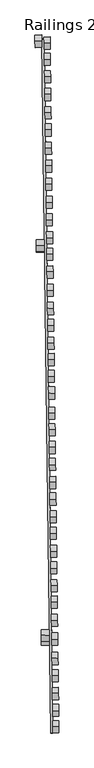
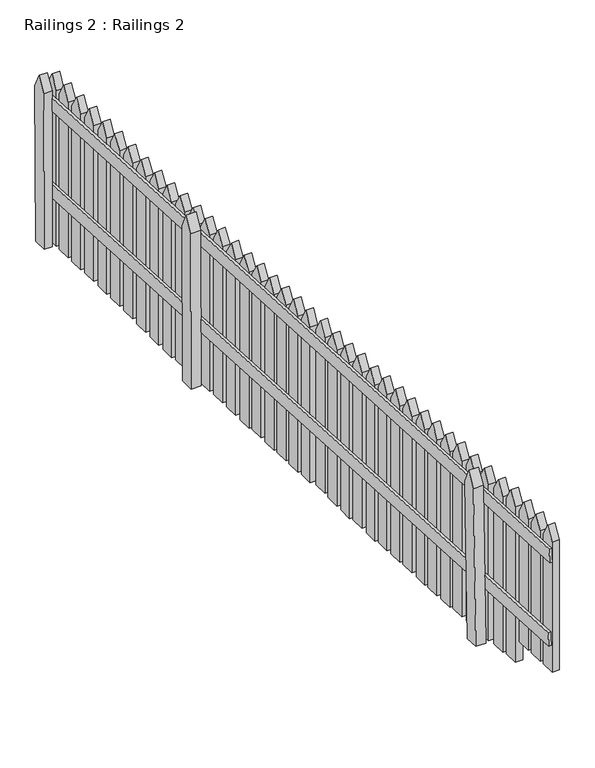
"""IFC4 building model written with IfcOpenShell, lengths in millimetres: railing geometry, Railings 2 : Railings 2."""

from ifc_helpers import new_model, si_unit, frame, origin, place, context, project, spatial, polyline, outline, extrude, source, transform, mapped, element, save


def railings_2_railings_2_9bccd51a(model_context):
    return source(origin(), model_context, "Body", "SweptSolid", [
        extrude(outline(polyline([(-78.9140534, 0.0), (-0.207065, 0.0), (-48.4910598, -63.5388444), (-730.5641158, -425.8123189), (-762.5344182, -366.1167429), (-78.9140534, 0.0)])), frame((-40966.4421428, 56488.4095143, 108646.3232378), z_axis=(0.9999181780679466, 0.012792074471260687, 0.0), x_axis=(-0.006073460667113702, 0.4747442440607652, 0.8801028438805875)), (0.0, 0.0, 1.0), 39.578044),
        extrude(outline(polyline([(-78.9140533, 0.0), (-0.2070649, -1e-07), (-48.4910597, -63.5388444), (-730.5641157, -425.812319), (-762.5344182, -366.116743), (-78.9140533, 0.0)])), frame((-40929.8799748, 53034.7440989, 108755.3017942), z_axis=(0.9999181780679467, 0.01279207447126069, 0.0), x_axis=(-0.006313474437184496, 0.493505402168435, 0.8697198158436442)), (0.0, 0.0, 1.0), 47.1984129),
        extrude(outline(polyline([(-78.9140534, 0.0), (-0.2070649, 0.0), (-48.4910598, -63.5388444), (-730.5641158, -425.8123189), (-762.5344182, -366.116743), (-78.9140534, 0.0)])), frame((-40958.8388721, 55298.3744343, 108667.6245797), z_axis=(0.9999181780679466, 0.012792074471260687, 0.0), x_axis=(-0.006073460667113702, 0.4747442440607652, 0.8801028438805875)), (0.0, 0.0, 1.0), 47.1984129),
        extrude(outline(polyline([(-1e-07, -4027.3737192), (0.0, 0.0), (13.0286057, 0.0), (13.0286058, -4027.3737192), (-1e-07, -4027.3737192)])), frame((-40926.9869878, 56498.2685405, 108040.7359996), z_axis=(-0.0004998136004947317, 0.0390689333386027, 0.9992363927690728), x_axis=(0.9999181780679466, 0.012792074471264462, 0.0)), (0.0, 0.0, 1.0), 66.7970811),
        extrude(outline(polyline([(0.0, -4027.3737192), (0.0, 0.0), (13.0286057, 0.0), (13.0286058, -4027.3737192), (0.0, -4027.3737192)])), frame((-40926.8950631, 56491.083062, 108473.5740419), z_axis=(-0.0004610597893345834, 0.03603966390028819, 0.9993502539399413), x_axis=(0.9999181780679466, 0.012792074471264462, 0.0)), (0.0, 0.0, 1.0), 66.7970811),
        extrude(outline(polyline([(-72.6633386, 0.0), (0.0, 0.0), (671.1597866, -392.3145748), (635.3278671, -453.6147278), (-35.8319195, -61.300153), (-72.6633386, 0.0)])), frame((-40908.9266818, 56105.0389234, 108586.5715123), z_axis=(0.9999181780679467, 0.012792074471260687, 0.0), x_axis=(-0.006455432486234943, 0.504601838019204, -0.8633280445225074)), (0.0, 0.0, 1.0), 35.050046),
        extrude(outline(polyline([(-18.2088211, 93.1591245), (53.2768642, 91.1444312), (724.4366508, -301.1701436), (688.6047313, -362.4702965), (17.4449447, 29.8442783), (-18.2088211, 93.1591245)])), frame((-40908.9266818, 56105.0389234, 108586.5715123), z_axis=(0.9999181780679467, 0.012792074471260687, 0.0), x_axis=(-0.006455432486234943, 0.504601838019204, -0.8633280445225074)), (0.0, 0.0, 1.0), 35.050046),
        extrude(outline(polyline([(89.1641363, 266.9415072), (160.6498215, 264.9268139), (831.8096082, -127.3877609), (795.9776887, -188.6879139), (124.8179021, 203.626661), (89.1641363, 266.9415072)])), frame((-40908.9266818, 56105.0389234, 108586.5715123), z_axis=(0.9999181780679467, 0.012792074471260687, 0.0), x_axis=(-0.006455432486234943, 0.504601838019204, -0.8633280445225074)), (0.0, 0.0, 1.0), 35.050046),
        extrude(outline(polyline([(37.2328345, 178.0990229), (109.896173, 178.0990228), (781.0559596, -214.215552), (745.2240401, -275.5157049), (74.0642535, 116.7988699), (37.2328345, 178.0990229)])), frame((-40908.9266818, 56105.0389234, 108586.5715123), z_axis=(0.9999181780679467, 0.012792074471260687, 0.0), x_axis=(-0.006455432486234943, 0.504601838019204, -0.8633280445225074)), (0.0, 0.0, 1.0), 35.050046),
        extrude(outline(polyline([(135.731005, 346.6066833), (208.3943436, 346.6066833), (879.5541302, -45.7078915), (843.7222107, -107.0080446), (172.5624241, 285.3065303), (135.731005, 346.6066833)])), frame((-40908.9266818, 56105.0389234, 108586.5715123), z_axis=(0.9999181780679467, 0.012792074471260687, 0.0), x_axis=(-0.006455432486234943, 0.504601838019204, -0.8633280445225074)), (0.0, 0.0, 1.0), 35.050046),
        extrude(outline(polyline([(-122.2657546, -84.8582976), (-50.7800693, -86.8729909), (620.3797173, -479.1875657), (584.5477978, -540.4877186), (-86.6119888, -148.1731438), (-122.2657546, -84.8582976)])), frame((-40908.9266818, 56105.0389234, 108586.5715123), z_axis=(0.9999181780679467, 0.012792074471260687, 0.0), x_axis=(-0.006455432486234943, 0.504601838019204, -0.8633280445225074)), (0.0, 0.0, 1.0), 35.050046),
        extrude(outline(polyline([(-176.720272, -178.0174221), (-104.0569335, -178.0174221), (567.1028532, -570.3319969), (531.2709336, -631.6321499), (-139.888853, -239.3175751), (-176.720272, -178.0174221)])), frame((-40908.9266818, 56105.0389234, 108586.5715123), z_axis=(0.9999181780679467, 0.012792074471260687, 0.0), x_axis=(-0.006455432486234943, 0.504601838019204, -0.8633280445225074)), (0.0, 0.0, 1.0), 35.050046),
        extrude(outline(polyline([(-277.9831646, -361.1628763), (-205.3198261, -361.1628763), (465.8399606, -753.4774511), (430.008041, -814.7776041), (-241.1517456, -422.4630293), (-277.9831646, -361.1628763)])), frame((-40908.9266818, 56105.0389234, 108586.5715123), z_axis=(0.9999181780679467, 0.012792074471260687, 0.0), x_axis=(-0.006455432486234943, 0.504601838019204, -0.8633280445225074)), (0.0, 0.0, 1.0), 35.050046),
        extrude(outline(polyline([(-223.5286472, -268.0037518), (-152.0429619, -270.0184451), (519.1168247, -662.3330199), (483.2849053, -723.6331728), (-187.8748814, -331.318598), (-223.5286472, -268.0037518)])), frame((-40908.9266818, 56105.0389234, 108586.5715123), z_axis=(0.9999181780679467, 0.012792074471260687, 0.0), x_axis=(-0.006455432486234943, 0.504601838019204, -0.8633280445225074)), (0.0, 0.0, 1.0), 35.050046),
        extrude(outline(polyline([(-329.5964646, -449.4613328), (-258.1107794, -451.4760261), (413.0490073, -843.7906009), (377.2170877, -905.0907539), (-293.9426989, -512.7761791), (-329.5964646, -449.4613328)])), frame((-40908.9266818, 56105.0389234, 108586.5715123), z_axis=(0.9999181780679467, 0.012792074471260687, 0.0), x_axis=(-0.006455432486234943, 0.504601838019204, -0.8633280445225074)), (0.0, 0.0, 1.0), 35.050046),
        extrude(outline(polyline([(-658.153486, -971.9146778), (-586.6678007, -973.9293711), (84.491986, -1366.2439459), (48.6600664, -1427.5440989), (-622.4997202, -1035.2295241), (-658.153486, -971.9146778)])), frame((-40908.9266818, 56105.0389234, 108586.5715123), z_axis=(0.9999181780679467, 0.012792074471260687, 0.0), x_axis=(-0.006455432486234943, 0.504601838019204, -0.8633280445225074)), (0.0, 0.0, 1.0), 35.050046),
        extrude(outline(polyline([(-717.4564604, -1053.5524107), (-644.7931219, -1053.5524108), (26.3666647, -1445.8669856), (-9.4652547, -1507.1671386), (-680.6250414, -1114.8525637), (-717.4564604, -1053.5524107)])), frame((-40908.9266818, 56105.0389234, 108586.5715123), z_axis=(0.9999181780679467, 0.012792074471260687, 0.0), x_axis=(-0.006455432486234943, 0.504601838019204, -0.8633280445225074)), (0.0, 0.0, 1.0), 35.050046),
        extrude(outline(polyline([(-822.3062021, -1223.0181531), (-749.6428636, -1223.0181532), (-78.483077, -1615.332728), (-114.3149965, -1676.632881), (-785.4747831, -1284.3183062), (-822.3062021, -1223.0181531)])), frame((-40908.9266818, 56105.0389234, 108586.5715123), z_axis=(0.9999181780679467, 0.012792074471260687, 0.0), x_axis=(-0.006455432486234943, 0.504601838019204, -0.8633280445225074)), (0.0, 0.0, 1.0), 35.050046),
        extrude(outline(polyline([(-768.5814758, -1141.0155247), (-697.0957905, -1143.030218), (-25.9360039, -1535.3447928), (-61.7679233, -1596.6449458), (-732.92771, -1204.330371), (-768.5814758, -1141.0155247)])), frame((-40908.9266818, 56105.0389234, 108586.5715123), z_axis=(0.9999181780679467, 0.012792074471260687, 0.0), x_axis=(-0.006455432486234943, 0.504601838019204, -0.8633280445225074)), (0.0, 0.0, 1.0), 35.050046),
        extrude(outline(polyline([(-872.2929988, -1303.5800415), (-800.8073135, -1305.5947348), (-129.6475269, -1697.9093096), (-165.4794464, -1759.2094626), (-836.6392331, -1366.8948878), (-872.2929988, -1303.5800415)])), frame((-40908.9266818, 56105.0389234, 108586.5715123), z_axis=(0.9999181780679467, 0.012792074471260687, 0.0), x_axis=(-0.006455432486234943, 0.504601838019204, -0.8633280445225074)), (0.0, 0.0, 1.0), 35.050046),
        extrude(outline(polyline([(-606.0278544, -882.7397401), (-533.3645158, -882.7397401), (137.7952709, -1275.0543149), (101.9633513, -1336.3544679), (-569.1964353, -944.0398931), (-606.0278544, -882.7397401)])), frame((-40908.9266818, 56105.0389234, 108586.5715123), z_axis=(0.9999181780679467, 0.012792074471260687, 0.0), x_axis=(-0.006455432486234943, 0.504601838019204, -0.8633280445225074)), (0.0, 0.0, 1.0), 35.050046),
        extrude(outline(polyline([(-551.5733368, -789.5806155), (-480.0876516, -791.5953087), (191.0721351, -1183.9098836), (155.2402155, -1245.2100366), (-515.9195711, -852.8954618), (-551.5733368, -789.5806155)])), frame((-40908.9266818, 56105.0389234, 108586.5715123), z_axis=(0.9999181780679467, 0.012792074471260687, 0.0), x_axis=(-0.006455432486234943, 0.504601838019204, -0.8633280445225074)), (0.0, 0.0, 1.0), 35.050046),
        extrude(outline(polyline([(-442.4069549, -622.6380887), (-370.9212696, -624.652782), (300.238517, -1016.9673568), (264.4065975, -1078.2675098), (-406.7531891, -685.952935), (-442.4069549, -622.6380887)])), frame((-40908.9266818, 56105.0389234, 108586.5715123), z_axis=(0.9999181780679467, 0.012792074471260687, 0.0), x_axis=(-0.006455432486234943, 0.504601838019204, -0.8633280445225074)), (0.0, 0.0, 1.0), 35.050046),
        extrude(outline(polyline([(-496.1316813, -704.6407172), (-423.4683427, -704.6407172), (247.6914439, -1096.955292), (211.8595244, -1158.255445), (-459.3002623, -765.9408702), (-496.1316813, -704.6407172)])), frame((-40908.9266818, 56105.0389234, 108586.5715123), z_axis=(0.9999181780679467, 0.012792074471260687, 0.0), x_axis=(-0.006455432486234943, 0.504601838019204, -0.8633280445225074)), (0.0, 0.0, 1.0), 35.050046),
        extrude(outline(polyline([(-390.7936549, -534.3396322), (-318.1303163, -534.3396322), (353.0294703, -926.654207), (317.1975508, -987.95436), (-353.9622358, -595.6397852), (-390.7936549, -534.3396322)])), frame((-40908.9266818, 56105.0389234, 108586.5715123), z_axis=(0.9999181780679467, 0.012792074471260687, 0.0), x_axis=(-0.006455432486234943, 0.504601838019204, -0.8633280445225074)), (0.0, 0.0, 1.0), 35.050046),
        extrude(outline(polyline([(-1155.3317942, -1733.3002087), (-1082.6684556, -1733.3002088), (-411.508669, -2125.6147836), (-447.3405885, -2186.9149365), (-1118.5003751, -1794.6003617), (-1155.3317942, -1733.3002087)])), frame((-40908.9266818, 56105.0389234, 108586.5715123), z_axis=(0.9999181780679467, 0.012792074471260687, 0.0), x_axis=(-0.006455432486234943, 0.504601838019204, -0.8633280445225074)), (0.0, 0.0, 1.0), 35.050046),
        extrude(outline(polyline([(-1096.0288197, -1651.6624758), (-1024.5431344, -1653.677169), (-353.3833478, -2045.9917439), (-389.2152673, -2107.2918969), (-1060.375054, -1714.9773221), (-1096.0288197, -1651.6624758)])), frame((-40908.9266818, 56105.0389234, 108586.5715123), z_axis=(0.9999181780679467, 0.012792074471260687, 0.0), x_axis=(-0.006455432486234943, 0.504601838019204, -0.8633280445225074)), (0.0, 0.0, 1.0), 35.050046),
        extrude(outline(polyline([(-999.8123584, -1477.1503021), (-928.3266731, -1479.1649953), (-257.1668865, -1871.4795701), (-292.998806, -1932.7797231), (-964.1585926, -1540.4651483), (-999.8123584, -1477.1503021)])), frame((-40908.9266818, 56105.0389234, 108586.5715123), z_axis=(0.9999181780679467, 0.012792074471260687, 0.0), x_axis=(-0.006455432486234943, 0.504601838019204, -0.8633280445225074)), (0.0, 0.0, 1.0), 35.050046),
        extrude(outline(polyline([(-1044.9038044, -1564.1993618), (-972.2404658, -1564.1993618), (-301.0806792, -1956.5139366), (-336.9125987, -2017.8140897), (-1008.0723854, -1625.4995148), (-1044.9038044, -1564.1993618)])), frame((-40908.9266818, 56105.0389234, 108586.5715123), z_axis=(0.9999181780679467, 0.012792074471260687, 0.0), x_axis=(-0.006455432486234943, 0.504601838019204, -0.8633280445225074)), (0.0, 0.0, 1.0), 35.050046),
        extrude(outline(polyline([(-926.7827785, -1386.8914997), (-854.11944, -1386.8914998), (-182.9596533, -1779.2060746), (-218.7915728, -1840.5062275), (-889.9513594, -1448.1916527), (-926.7827785, -1386.8914997)])), frame((-40908.9266818, 56105.0389234, 108586.5715123), z_axis=(0.9999181780679467, 0.012792074471260687, 0.0), x_axis=(-0.006455432486234943, 0.504601838019204, -0.8633280445225074)), (0.0, 0.0, 1.0), 35.050046),
        extrude(outline(polyline([(-1207.4574258, -1822.4751465), (-1135.9717405, -1824.4898398), (-464.8119539, -2216.8044146), (-500.6438734, -2278.1045675), (-1171.80366, -1885.7899927), (-1207.4574258, -1822.4751465)])), frame((-40908.9266818, 56105.0389234, 108586.5715123), z_axis=(0.9999181780679467, 0.012792074471260687, 0.0), x_axis=(-0.006455432486234943, 0.504601838019204, -0.8633280445225074)), (0.0, 0.0, 1.0), 35.050046),
        extrude(outline(polyline([(-1265.4987924, -1901.9545593), (-1192.8354539, -1901.9545594), (-521.6756673, -2294.2691342), (-557.5075867, -2355.5692871), (-1228.6673734, -1963.2547123), (-1265.4987924, -1901.9545593)])), frame((-40908.9266818, 56105.0389234, 108586.5715123), z_axis=(0.9999181780679467, 0.012792074471260687, 0.0), x_axis=(-0.006455432486234943, 0.504601838019204, -0.8633280445225074)), (0.0, 0.0, 1.0), 35.050046),
        extrude(outline(polyline([(-1374.6651744, -2068.8970861), (-1302.0018359, -2068.8970861), (-630.8420492, -2461.211661), (-666.6739687, -2522.5118139), (-1337.8337553, -2130.1972391), (-1374.6651744, -2068.8970861)])), frame((-40908.9266818, 56105.0389234, 108586.5715123), z_axis=(0.9999181780679467, 0.012792074471260687, 0.0), x_axis=(-0.006455432486234943, 0.504601838019204, -0.8633280445225074)), (0.0, 0.0, 1.0), 35.050046),
        extrude(outline(polyline([(-1320.940448, -1986.8944577), (-1249.4547627, -1988.9091509), (-578.2949761, -2381.2237257), (-614.1268956, -2442.5238787), (-1285.2866822, -2050.2093039), (-1320.940448, -1986.8944577)])), frame((-40908.9266818, 56105.0389234, 108586.5715123), z_axis=(0.9999181780679467, 0.012792074471260687, 0.0), x_axis=(-0.006455432486234943, 0.504601838019204, -0.8633280445225074)), (0.0, 0.0, 1.0), 35.050046),
        extrude(outline(polyline([(-1645.7695661, -2493.0622279), (-1574.2838808, -2495.0769211), (-903.1240941, -2887.391496), (-938.9560136, -2948.6916489), (-1610.1158003, -2556.3770741), (-1645.7695661, -2493.0622279)])), frame((-40908.9266818, 56105.0389234, 108586.5715123), z_axis=(0.9999181780679467, 0.012792074471260687, 0.0), x_axis=(-0.006455432486234943, 0.504601838019204, -0.8633280445225074)), (0.0, 0.0, 1.0), 35.050046),
        extrude(outline(polyline([(-1710.1189718, -2583.3332412), (-1637.4556332, -2583.3332412), (-966.2958466, -2975.6478161), (-1002.1277661, -3036.9479691), (-1673.2875528, -2644.6333943), (-1710.1189718, -2583.3332412)])), frame((-40908.9266818, 56105.0389234, 108586.5715123), z_axis=(0.9999181780679467, 0.012792074471260687, 0.0), x_axis=(-0.006455432486234943, 0.504601838019204, -0.8633280445225074)), (0.0, 0.0, 1.0), 35.050046),
        extrude(outline(polyline([(-1774.9236989, -2674.3832044), (-1703.4380136, -2676.3978976), (-1032.2782269, -3068.7124724), (-1068.1101465, -3130.0126255), (-1739.2699331, -2737.6980506), (-1774.9236989, -2674.3832044)])), frame((-40908.9266818, 56105.0389234, 108586.5715123), z_axis=(0.9999181780679467, 0.012792074471260687, 0.0), x_axis=(-0.006455432486234943, 0.504601838019204, -0.8633280445225074)), (0.0, 0.0, 1.0), 35.050046),
        extrude(outline(polyline([(-1593.6439344, -2403.88729), (-1520.9805959, -2403.8872901), (-849.8208092, -2796.2018649), (-885.6527287, -2857.5020179), (-1556.8125154, -2465.1874431), (-1593.6439344, -2403.88729)])), frame((-40908.9266818, 56105.0389234, 108586.5715123), z_axis=(0.9999181780679467, 0.012792074471260687, 0.0), x_axis=(-0.006455432486234943, 0.504601838019204, -0.8633280445225074)), (0.0, 0.0, 1.0), 35.050046),
        extrude(outline(polyline([(-1535.6025678, -2324.4078773), (-1464.1168825, -2326.4225705), (-792.9570959, -2718.7371454), (-828.7890154, -2780.0372983), (-1499.948802, -2387.7227235), (-1535.6025678, -2324.4078773)])), frame((-40908.9266818, 56105.0389234, 108586.5715123), z_axis=(0.9999181780679467, 0.012792074471260687, 0.0), x_axis=(-0.006455432486234943, 0.504601838019204, -0.8633280445225074)), (0.0, 0.0, 1.0), 35.050046),
        extrude(outline(polyline([(-1426.4361858, -2157.4653505), (-1354.9505006, -2159.4800438), (-683.7907139, -2551.7946186), (-719.6226334, -2613.0947715), (-1390.78242, -2220.7801967), (-1426.4361858, -2157.4653505)])), frame((-40908.9266818, 56105.0389234, 108586.5715123), z_axis=(0.9999181780679467, 0.012792074471260687, 0.0), x_axis=(-0.006455432486234943, 0.504601838019204, -0.8633280445225074)), (0.0, 0.0, 1.0), 35.050046),
        extrude(outline(polyline([(-1480.1609122, -2239.4679789), (-1407.4975737, -2239.467979), (-736.3377871, -2631.7825538), (-772.1697066, -2693.0827067), (-1443.3294932, -2300.7681319), (-1480.1609122, -2239.4679789)])), frame((-40908.9266818, 56105.0389234, 108586.5715123), z_axis=(0.9999181780679467, 0.012792074471260687, 0.0), x_axis=(-0.006455432486234943, 0.504601838019204, -0.8633280445225074)), (0.0, 0.0, 1.0), 35.050046),
        extrude(outline(polyline([(-1886.4306703, -2845.3299401), (-1814.944985, -2847.3446334), (-1248.8370906, -3178.2529838), (-1284.6690102, -3239.5531369), (-1850.7769045, -2908.6447864), (-1886.4306703, -2845.3299401)])), frame((-40908.9266818, 56105.0389234, 108586.5715123), z_axis=(0.9999181780679467, 0.012792074471260687, 0.0), x_axis=(-0.006455432486234943, 0.504601838019204, -0.8633280445225074)), (0.0, 0.0, 1.0), 35.050046),
        extrude(outline(polyline([(-1835.3056549, -2757.8668261), (-1762.6423164, -2757.8668262), (-1091.4825298, -3150.181401), (-1127.3144493, -3211.4815539), (-1798.4742359, -2819.1669791), (-1835.3056549, -2757.8668261)])), frame((-40908.9266818, 56105.0389234, 108586.5715123), z_axis=(0.9999181780679467, 0.012792074471260687, 0.0), x_axis=(-0.006455432486234943, 0.504601838019204, -0.8633280445225074)), (0.0, 0.0, 1.0), 35.050046),
        extrude(outline(polyline([(-1936.8249842, -2931.5429924), (-1864.1616456, -2931.5429924), (-1301.3663907, -3260.514998), (-1337.1983103, -3321.815151), (-1899.9935651, -2992.8431454), (-1936.8249842, -2931.5429924)])), frame((-40908.9266818, 56105.0389234, 108586.5715123), z_axis=(0.9999181780679467, 0.012792074471260687, 0.0), x_axis=(-0.006455432486234943, 0.504601838019204, -0.8633280445225074)), (0.0, 0.0, 1.0), 35.050046),
        extrude(outline(polyline([(-1983.5219843, -3011.4307933), (-1912.036299, -3013.4454866), (-1352.5536836, -3340.4811475), (-1388.3856032, -3401.7813005), (-1947.8682186, -3074.7456396), (-1983.5219843, -3011.4307933)])), frame((-40908.9266818, 56105.0389234, 108586.5715123), z_axis=(0.9999181780679467, 0.012792074471260687, 0.0), x_axis=(-0.006455432486234943, 0.504601838019204, -0.8633280445225074)), (0.0, 0.0, 1.0), 35.050046),
    ])


if __name__ == "__main__":
    model = new_model("IFC4")
    model_context = context("Model", 3, world=origin())
    ifc_project = project(units=[si_unit("LENGTHUNIT", "METRE", prefix="MILLI")], contexts=[model_context])
    site = spatial("IfcSite", under=ifc_project)
    building = spatial("IfcBuilding", under=site)
    placement = place(None, origin())
    railings_2_railings_2_shape = railings_2_railings_2_9bccd51a(model_context)
    element("IfcRailing", 1, ObjectType="Railings 2 : Railings 2", at=placement, inside=building, context=model_context, shape_type="MappedRepresentation", body=[
        mapped(railings_2_railings_2_shape, transform((0.0, 0.0, 0.0), x_axis=(1.0, 0.0, 0.0), y_axis=(0.0, 1.0, 0.0), z_axis=(0.0, 0.0, 1.0))),
    ])
    save(model, "model.ifc")
